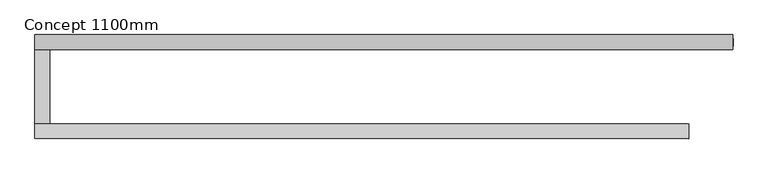
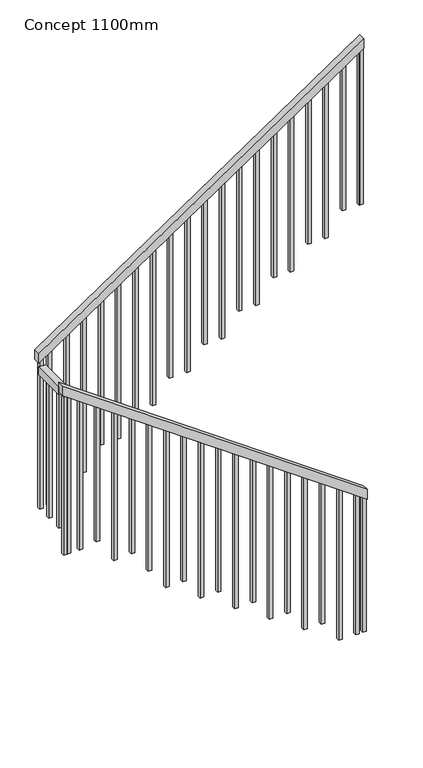
"""IFC4 building model written with IfcOpenShell, lengths in millimetres: railing geometry, Concept 1100mm."""

from ifc_helpers import new_model, si_unit, frame, origin, place, context, project, spatial, polyline, outline, extrude, source, transform, mapped, element, save


def concept_1100mm_061954f6(model_context):
    return source(origin(), model_context, "Body", "SweptSolid", [
        extrude(outline(polyline([(1186.00155, 627532.5539109), (1259.5567867, 627532.5539109), (2819.66759, 625332.5539109), (2746.1123533, 625332.5539109), (1186.00155, 627532.5539109)])), frame((0.0, 63651.9148027, 0.0), z_axis=(0.0, 1.0, 0.0), x_axis=(0.0, 0.0, 1.0)), (0.0, 0.0, 1.0), 50.0),
        extrude(outline(polyline([(625382.5539109, 63701.9148027), (625332.5539109, 63701.9148027), (625332.5539109, 63951.9148027), (625382.5539109, 63951.9148027), (625382.5539109, 63701.9148027)])), frame((0.0, 0.0, 2724.2105263), z_axis=(0.0, 0.0, 1.0), x_axis=(1.0, 0.0, 0.0)), (0.0, 0.0, 1.0), 60.0),
        extrude(outline(polyline([(2886.1052632, 625332.5539109), (2813.7598314, 625332.5539109), (4396.0756209, 627681.3039109), (4468.4210526, 627681.3039109), (2886.1052632, 625332.5539109)])), frame((0.0, 63951.9148027, 0.0), z_axis=(0.0, 1.0, 0.0), x_axis=(0.0, 0.0, 1.0)), (0.0, 0.0, 1.0), 50.0),
        extrude(outline(polyline([(4380.0756209, 627657.5539109), (3200.0, 627657.5539109), (3200.0, 627682.5539109), (4396.9177261, 627682.5539109), (4380.0756209, 627657.5539109)])), frame((0.0, 63964.4148027, 0.0), z_axis=(0.0, 1.0, 0.0), x_axis=(0.0, 0.0, 1.0)), (0.0, 0.0, 1.0), 25.0),
        extrude(outline(polyline([(4295.8650946, 627532.5539109), (3200.0, 627532.5539109), (3200.0, 627557.5539109), (4312.7071998, 627557.5539109), (4295.8650946, 627532.5539109)])), frame((0.0, 63964.4148027, 0.0), z_axis=(0.0, 1.0, 0.0), x_axis=(0.0, 0.0, 1.0)), (0.0, 0.0, 1.0), 25.0),
        extrude(outline(polyline([(4211.6545682, 627407.5539109), (3031.5789474, 627407.5539109), (3031.5789474, 627432.5539109), (4228.4966735, 627432.5539109), (4211.6545682, 627407.5539109)])), frame((0.0, 63964.4148027, 0.0), z_axis=(0.0, 1.0, 0.0), x_axis=(0.0, 0.0, 1.0)), (0.0, 0.0, 1.0), 25.0),
        extrude(outline(polyline([(4127.4440419, 627282.5539109), (3031.5789474, 627282.5539109), (3031.5789474, 627307.5539109), (4144.2861472, 627307.5539109), (4127.4440419, 627282.5539109)])), frame((0.0, 63964.4148027, 0.0), z_axis=(0.0, 1.0, 0.0), x_axis=(0.0, 0.0, 1.0)), (0.0, 0.0, 1.0), 25.0),
        extrude(outline(polyline([(4043.2335156, 627157.5539109), (2863.1578947, 627157.5539109), (2863.1578947, 627182.5539109), (4060.0756209, 627182.5539109), (4043.2335156, 627157.5539109)])), frame((0.0, 63964.4148027, 0.0), z_axis=(0.0, 1.0, 0.0), x_axis=(0.0, 0.0, 1.0)), (0.0, 0.0, 1.0), 25.0),
        extrude(outline(polyline([(3959.0229893, 627032.5539109), (2863.1578947, 627032.5539109), (2863.1578947, 627057.5539109), (3975.8650946, 627057.5539109), (3959.0229893, 627032.5539109)])), frame((0.0, 63964.4148027, 0.0), z_axis=(0.0, 1.0, 0.0), x_axis=(0.0, 0.0, 1.0)), (0.0, 0.0, 1.0), 25.0),
        extrude(outline(polyline([(3874.812463, 626907.5539109), (2694.7368421, 626907.5539109), (2694.7368421, 626932.5539109), (3891.6545682, 626932.5539109), (3874.812463, 626907.5539109)])), frame((0.0, 63964.4148027, 0.0), z_axis=(0.0, 1.0, 0.0), x_axis=(0.0, 0.0, 1.0)), (0.0, 0.0, 1.0), 25.0),
        extrude(outline(polyline([(3790.6019367, 626782.5539109), (2694.7368421, 626782.5539109), (2694.7368421, 626807.5539109), (3807.4440419, 626807.5539109), (3790.6019367, 626782.5539109)])), frame((0.0, 63964.4148027, 0.0), z_axis=(0.0, 1.0, 0.0), x_axis=(0.0, 0.0, 1.0)), (0.0, 0.0, 1.0), 25.0),
        extrude(outline(polyline([(3706.3914104, 626657.5539109), (2526.3157895, 626657.5539109), (2526.3157895, 626682.5539109), (3723.2335156, 626682.5539109), (3706.3914104, 626657.5539109)])), frame((0.0, 63964.4148027, 0.0), z_axis=(0.0, 1.0, 0.0), x_axis=(0.0, 0.0, 1.0)), (0.0, 0.0, 1.0), 25.0),
        extrude(outline(polyline([(3622.180884, 626532.5539109), (2526.3157895, 626532.5539109), (2526.3157895, 626557.5539109), (3639.0229893, 626557.5539109), (3622.180884, 626532.5539109)])), frame((0.0, 63964.4148027, 0.0), z_axis=(0.0, 1.0, 0.0), x_axis=(0.0, 0.0, 1.0)), (0.0, 0.0, 1.0), 25.0),
        extrude(outline(polyline([(3537.9703577, 626407.5539109), (2357.8947368, 626407.5539109), (2357.8947368, 626432.5539109), (3554.812463, 626432.5539109), (3537.9703577, 626407.5539109)])), frame((0.0, 63964.4148027, 0.0), z_axis=(0.0, 1.0, 0.0), x_axis=(0.0, 0.0, 1.0)), (0.0, 0.0, 1.0), 25.0),
        extrude(outline(polyline([(3453.7598314, 626282.5539109), (2357.8947368, 626282.5539109), (2357.8947368, 626307.5539109), (3470.6019367, 626307.5539109), (3453.7598314, 626282.5539109)])), frame((0.0, 63964.4148027, 0.0), z_axis=(0.0, 1.0, 0.0), x_axis=(0.0, 0.0, 1.0)), (0.0, 0.0, 1.0), 25.0),
        extrude(outline(polyline([(3369.5493051, 626157.5539109), (2189.4736842, 626157.5539109), (2189.4736842, 626182.5539109), (3386.3914104, 626182.5539109), (3369.5493051, 626157.5539109)])), frame((0.0, 63964.4148027, 0.0), z_axis=(0.0, 1.0, 0.0), x_axis=(0.0, 0.0, 1.0)), (0.0, 0.0, 1.0), 25.0),
        extrude(outline(polyline([(3285.3387788, 626032.5539109), (2189.4736842, 626032.5539109), (2189.4736842, 626057.5539109), (3302.180884, 626057.5539109), (3285.3387788, 626032.5539109)])), frame((0.0, 63964.4148027, 0.0), z_axis=(0.0, 1.0, 0.0), x_axis=(0.0, 0.0, 1.0)), (0.0, 0.0, 1.0), 25.0),
        extrude(outline(polyline([(3201.1282525, 625907.5539109), (2021.0526316, 625907.5539109), (2021.0526316, 625932.5539109), (3217.9703577, 625932.5539109), (3201.1282525, 625907.5539109)])), frame((0.0, 63964.4148027, 0.0), z_axis=(0.0, 1.0, 0.0), x_axis=(0.0, 0.0, 1.0)), (0.0, 0.0, 1.0), 25.0),
        extrude(outline(polyline([(3116.9177261, 625782.5539109), (2021.0526316, 625782.5539109), (2021.0526316, 625807.5539109), (3133.7598314, 625807.5539109), (3116.9177261, 625782.5539109)])), frame((0.0, 63964.4148027, 0.0), z_axis=(0.0, 1.0, 0.0), x_axis=(0.0, 0.0, 1.0)), (0.0, 0.0, 1.0), 25.0),
        extrude(outline(polyline([(3032.7071998, 625657.5539109), (1852.6315789, 625657.5539109), (1852.6315789, 625682.5539109), (3049.5493051, 625682.5539109), (3032.7071998, 625657.5539109)])), frame((0.0, 63964.4148027, 0.0), z_axis=(0.0, 1.0, 0.0), x_axis=(0.0, 0.0, 1.0)), (0.0, 0.0, 1.0), 25.0),
        extrude(outline(polyline([(2948.4966735, 625532.5539109), (1852.6315789, 625532.5539109), (1852.6315789, 625557.5539109), (2965.3387788, 625557.5539109), (2948.4966735, 625532.5539109)])), frame((0.0, 63964.4148027, 0.0), z_axis=(0.0, 1.0, 0.0), x_axis=(0.0, 0.0, 1.0)), (0.0, 0.0, 1.0), 25.0),
        extrude(outline(polyline([(2864.2861472, 625407.5539109), (1684.2105263, 625407.5539109), (1684.2105263, 625432.5539109), (2881.1282525, 625432.5539109), (2864.2861472, 625407.5539109)])), frame((0.0, 63964.4148027, 0.0), z_axis=(0.0, 1.0, 0.0), x_axis=(0.0, 0.0, 1.0)), (0.0, 0.0, 1.0), 25.0),
        extrude(outline(polyline([(625370.0539109, 63851.9148027), (625345.0539109, 63851.9148027), (625345.0539109, 63876.9148027), (625370.0539109, 63876.9148027), (625370.0539109, 63851.9148027)])), frame((0.0, 0.0, 1684.2105263), z_axis=(0.0, 0.0, 1.0), x_axis=(1.0, 0.0, 0.0)), (0.0, 0.0, 1.0), 1040.0),
        extrude(outline(polyline([(625370.0539109, 63726.9148027), (625345.0539109, 63726.9148027), (625345.0539109, 63751.9148027), (625370.0539109, 63751.9148027), (625370.0539109, 63726.9148027)])), frame((0.0, 0.0, 1684.2105263), z_axis=(0.0, 0.0, 1.0), x_axis=(1.0, 0.0, 0.0)), (0.0, 0.0, 1.0), 1040.0),
        extrude(outline(polyline([(1515.7894737, 625482.5539109), (2639.7411622, 625482.5539109), (2657.469694, 625457.5539109), (1515.7894737, 625457.5539109), (1515.7894737, 625482.5539109)])), frame((0.0, 63664.4148027, 0.0), z_axis=(0.0, 1.0, 0.0), x_axis=(0.0, 0.0, 1.0)), (0.0, 0.0, 1.0), 25.0),
        extrude(outline(polyline([(1533.5180055, 625607.5539109), (2551.0985029, 625607.5539109), (2568.8270348, 625582.5539109), (1533.5180055, 625582.5539109), (1533.5180055, 625607.5539109)])), frame((0.0, 63664.4148027, 0.0), z_axis=(0.0, 1.0, 0.0), x_axis=(0.0, 0.0, 1.0)), (0.0, 0.0, 1.0), 25.0),
        extrude(outline(polyline([(1347.3684211, 625732.5539109), (2462.4558436, 625732.5539109), (2480.1843755, 625707.5539109), (1347.3684211, 625707.5539109), (1347.3684211, 625732.5539109)])), frame((0.0, 63664.4148027, 0.0), z_axis=(0.0, 1.0, 0.0), x_axis=(0.0, 0.0, 1.0)), (0.0, 0.0, 1.0), 25.0),
        extrude(outline(polyline([(1356.232687, 625857.5539109), (2373.8131843, 625857.5539109), (2391.5417162, 625832.5539109), (1356.232687, 625832.5539109), (1356.232687, 625857.5539109)])), frame((0.0, 63664.4148027, 0.0), z_axis=(0.0, 1.0, 0.0), x_axis=(0.0, 0.0, 1.0)), (0.0, 0.0, 1.0), 25.0),
        extrude(outline(polyline([(1178.9473684, 625982.5539109), (2285.1705251, 625982.5539109), (2302.8990569, 625957.5539109), (1178.9473684, 625957.5539109), (1178.9473684, 625982.5539109)])), frame((0.0, 63664.4148027, 0.0), z_axis=(0.0, 1.0, 0.0), x_axis=(0.0, 0.0, 1.0)), (0.0, 0.0, 1.0), 25.0),
        extrude(outline(polyline([(1010.5263158, 626107.5539109), (2196.5278658, 626107.5539109), (2214.2563976, 626082.5539109), (1010.5263158, 626082.5539109), (1010.5263158, 626107.5539109)])), frame((0.0, 63664.4148027, 0.0), z_axis=(0.0, 1.0, 0.0), x_axis=(0.0, 0.0, 1.0)), (0.0, 0.0, 1.0), 25.0),
        extrude(outline(polyline([(1010.5263158, 626232.5539109), (2107.8852065, 626232.5539109), (2125.6137384, 626207.5539109), (1010.5263158, 626207.5539109), (1010.5263158, 626232.5539109)])), frame((0.0, 63664.4148027, 0.0), z_axis=(0.0, 1.0, 0.0), x_axis=(0.0, 0.0, 1.0)), (0.0, 0.0, 1.0), 25.0),
        extrude(outline(polyline([(842.1052632, 626357.5539109), (2019.2425472, 626357.5539109), (2036.9710791, 626332.5539109), (842.1052632, 626332.5539109), (842.1052632, 626357.5539109)])), frame((0.0, 63664.4148027, 0.0), z_axis=(0.0, 1.0, 0.0), x_axis=(0.0, 0.0, 1.0)), (0.0, 0.0, 1.0), 25.0),
        extrude(outline(polyline([(842.1052632, 626482.5539109), (1930.5998879, 626482.5539109), (1948.3284198, 626457.5539109), (842.1052632, 626457.5539109), (842.1052632, 626482.5539109)])), frame((0.0, 63664.4148027, 0.0), z_axis=(0.0, 1.0, 0.0), x_axis=(0.0, 0.0, 1.0)), (0.0, 0.0, 1.0), 25.0),
        extrude(outline(polyline([(673.6842105, 626607.5539109), (1841.9572287, 626607.5539109), (1859.6857605, 626582.5539109), (673.6842105, 626582.5539109), (673.6842105, 626607.5539109)])), frame((0.0, 63664.4148027, 0.0), z_axis=(0.0, 1.0, 0.0), x_axis=(0.0, 0.0, 1.0)), (0.0, 0.0, 1.0), 25.0),
        extrude(outline(polyline([(673.6842105, 626732.5539109), (1753.3145694, 626732.5539109), (1771.0431012, 626707.5539109), (673.6842105, 626707.5539109), (673.6842105, 626732.5539109)])), frame((0.0, 63664.4148027, 0.0), z_axis=(0.0, 1.0, 0.0), x_axis=(0.0, 0.0, 1.0)), (0.0, 0.0, 1.0), 25.0),
        extrude(outline(polyline([(505.2631579, 626857.5539109), (1664.6719101, 626857.5539109), (1682.400442, 626832.5539109), (505.2631579, 626832.5539109), (505.2631579, 626857.5539109)])), frame((0.0, 63664.4148027, 0.0), z_axis=(0.0, 1.0, 0.0), x_axis=(0.0, 0.0, 1.0)), (0.0, 0.0, 1.0), 25.0),
        extrude(outline(polyline([(505.2631579, 626982.5539109), (1576.0292508, 626982.5539109), (1593.7577827, 626957.5539109), (505.2631579, 626957.5539109), (505.2631579, 626982.5539109)])), frame((0.0, 63664.4148027, 0.0), z_axis=(0.0, 1.0, 0.0), x_axis=(0.0, 0.0, 1.0)), (0.0, 0.0, 1.0), 25.0),
        extrude(outline(polyline([(336.8421053, 627107.5539109), (1487.3865915, 627107.5539109), (1505.1151234, 627082.5539109), (336.8421053, 627082.5539109), (336.8421053, 627107.5539109)])), frame((0.0, 63664.4148027, 0.0), z_axis=(0.0, 1.0, 0.0), x_axis=(0.0, 0.0, 1.0)), (0.0, 0.0, 1.0), 25.0),
        extrude(outline(polyline([(336.8421053, 627232.5539109), (1398.7439323, 627232.5539109), (1416.4724641, 627207.5539109), (336.8421053, 627207.5539109), (336.8421053, 627232.5539109)])), frame((0.0, 63664.4148027, 0.0), z_axis=(0.0, 1.0, 0.0), x_axis=(0.0, 0.0, 1.0)), (0.0, 0.0, 1.0), 25.0),
        extrude(outline(polyline([(168.4210526, 627357.5539109), (1310.101273, 627357.5539109), (1327.8298048, 627332.5539109), (168.4210526, 627332.5539109), (168.4210526, 627357.5539109)])), frame((0.0, 63664.4148027, 0.0), z_axis=(0.0, 1.0, 0.0), x_axis=(0.0, 0.0, 1.0)), (0.0, 0.0, 1.0), 25.0),
        extrude(outline(polyline([(168.4210526, 627482.5539109), (1221.4586137, 627482.5539109), (1239.1871456, 627457.5539109), (168.4210526, 627457.5539109), (168.4210526, 627482.5539109)])), frame((0.0, 63664.4148027, 0.0), z_axis=(0.0, 1.0, 0.0), x_axis=(0.0, 0.0, 1.0)), (0.0, 0.0, 1.0), 25.0),
        extrude(outline(polyline([(2822.180884, 625345.0539109), (1684.2105263, 625345.0539109), (1684.2105263, 625370.0539109), (2839.0229893, 625370.0539109), (2822.180884, 625345.0539109)])), frame((0.0, 63964.4148027, 0.0), z_axis=(0.0, 1.0, 0.0), x_axis=(0.0, 0.0, 1.0)), (0.0, 0.0, 1.0), 25.0),
        extrude(outline(polyline([(625370.0539109, 63689.4148027), (625370.0539109, 63664.4148027), (625345.0539109, 63664.4148027), (625345.0539109, 63689.4148027), (625370.0539109, 63689.4148027)])), frame((0.0, 0.0, 1515.7894737), z_axis=(0.0, 0.0, 1.0), x_axis=(1.0, 0.0, 0.0)), (0.0, 0.0, 1.0), 1208.4210526),
        extrude(outline(polyline([(1515.7894737, 625395.0539109), (2701.7910237, 625395.0539109), (2719.5195555, 625370.0539109), (1515.7894737, 625370.0539109), (1515.7894737, 625395.0539109)])), frame((0.0, 63664.4148027, 0.0), z_axis=(0.0, 1.0, 0.0), x_axis=(0.0, 0.0, 1.0)), (0.0, 0.0, 1.0), 25.0),
        extrude(outline(polyline([(4379.2335156, 627656.3039109), (3200.0, 627656.3039109), (3200.0, 627681.3039109), (4396.0756209, 627681.3039109), (4379.2335156, 627656.3039109)])), frame((0.0, 63964.4148027, 0.0), z_axis=(0.0, 1.0, 0.0), x_axis=(0.0, 0.0, 1.0)), (0.0, 0.0, 1.0), 25.0),
        extrude(outline(polyline([(168.4210526, 627532.5539109), (1186.00155, 627532.5539109), (1203.7300818, 627507.5539109), (168.4210526, 627507.5539109), (168.4210526, 627532.5539109)])), frame((0.0, 63664.4148027, 0.0), z_axis=(0.0, 1.0, 0.0), x_axis=(0.0, 0.0, 1.0)), (0.0, 0.0, 1.0), 25.0),
    ])


if __name__ == "__main__":
    model = new_model("IFC4")
    model_context = context("Model", 3, world=origin())
    ifc_project = project(units=[si_unit("LENGTHUNIT", "METRE", prefix="MILLI")], contexts=[model_context])
    site = spatial("IfcSite", under=ifc_project)
    building = spatial("IfcBuilding", under=site)
    placement = place(None, origin())
    concept_1100mm_shape = concept_1100mm_061954f6(model_context)
    element("IfcRailing", 1, ObjectType="Concept 1100mm", at=placement, inside=building, context=model_context, shape_type="MappedRepresentation", body=[
        mapped(concept_1100mm_shape, transform((0.0, 0.0, 0.0), x_axis=(1.0, 0.0, 0.0), y_axis=(0.0, 1.0, 0.0), z_axis=(0.0, 0.0, 1.0))),
    ])
    save(model, "model.ifc")
